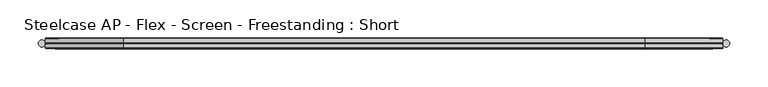
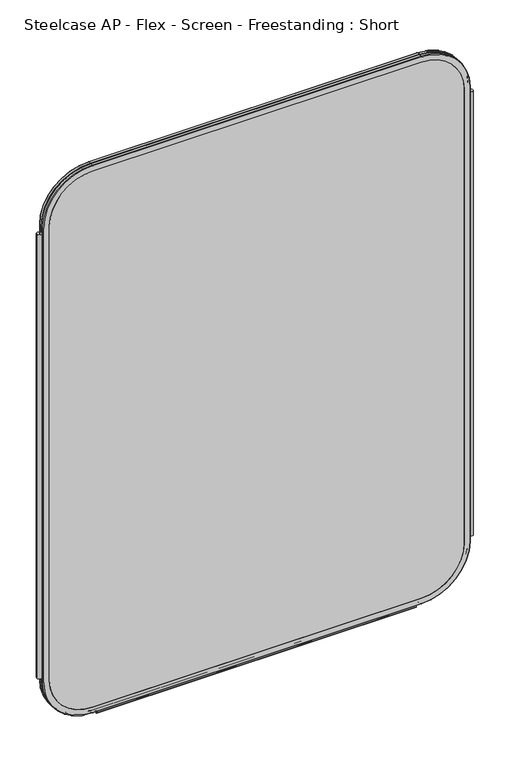
"""IFC4 building model written with IfcOpenShell, lengths in millimetres: furniture geometry, Steelcase AP - Flex - Screen - Freestanding : Short."""

from ifc_helpers import new_model, si_unit, point, frame, frame_2d, origin, place, context, project, spatial, polyline, circle_curve, ellipse_curve, trimmed, segment, composite_curve, outline, extrude, source, transform, mapped, element, save
from ifc_brep_helpers import plane_surface, cylinder_surface, revolved_surface, advanced_brep


def steelcase_ap_flex_screen_freestanding_short_716cc788(model_context):
    return source(origin(), model_context, "Body", "SolidModel", [
        extrude(outline(composite_curve([segment(trimmed(circle_curve(frame_2d((4.5307839, 0.0)), 4.572), [point((-0.0412161, 0.0))], [point((9.1027839, 0.0))], False, "CARTESIAN"), True, "CONTINUOUS"), segment(trimmed(circle_curve(frame_2d((4.5307839, 0.0)), 4.572), [point((9.1027839, 0.0))], [point((-0.0412161, 0.0))], False, "CARTESIAN"), True, "CONTINUOUS")], self_intersect=False)), frame((0.0, 0.0, 115.57), z_axis=(0.0, 0.0, 1.0), x_axis=(1.0, 0.0, 0.0)), (0.0, 0.0, 1.0), 968.86),
        extrude(outline(composite_curve([segment(trimmed(circle_curve(frame_2d((895.4692161, 0.0)), 4.572), [point((890.8972161, 0.0))], [point((900.0412161, 0.0))], False, "CARTESIAN"), True, "CONTINUOUS"), segment(trimmed(circle_curve(frame_2d((895.4692161, 0.0)), 4.572), [point((900.0412161, 0.0))], [point((890.8972161, 0.0))], False, "CARTESIAN"), True, "CONTINUOUS")], self_intersect=False)), frame((0.0, 0.0, 115.57), z_axis=(0.0, 0.0, 1.0), x_axis=(1.0, 0.0, 0.0)), (0.0, 0.0, 1.0), 968.86),
        extrude(outline(composite_curve([segment(trimmed(circle_curve(frame_2d((3.5, 2.4751953)), 2.5), [point((3.5, 4.9751953))], [point((1.4656663, 1.0220998))], False, "CARTESIAN"), True, "CONTINUOUS"), segment(trimmed(circle_curve(frame_2d((0.0, -0.0248047)), 1.8011626), [point((1.4656663, 1.0220998))], [point((-1.4656663, 1.0220998))], True, "CARTESIAN"), True, "CONTINUOUS"), segment(trimmed(circle_curve(frame_2d((-3.5, 2.4751953)), 2.5), [point((-1.4656663, 1.0220998))], [point((-3.5, 4.9751953))], False, "CARTESIAN"), True, "CONTINUOUS"), segment(trimmed(circle_curve(frame_2d((-3.5, 4.4751953)), 0.5), [point((-3.5, 4.9751953))], [point((-3.5, 3.9751953))], False, "CARTESIAN"), True, "CONTINUOUS"), segment(trimmed(circle_curve(frame_2d((-3.5, 2.4751953)), 1.5), [point((-3.5, 3.9751953))], [point((-2.3025096, 1.5718589))], True, "CARTESIAN"), True, "CONTINUOUS"), segment(trimmed(circle_curve(frame_2d((-10.3325937, 7.629417)), 10.0586411), [point((-2.3025096, 1.5718589))], [point((-0.714976, 4.6836248))], True, "CARTESIAN"), True, "CONTINUOUS"), segment(trimmed(circle_curve(frame_2d((0.0, 4.4646339)), 0.7477618), [point((-0.714976, 4.6836248))], [point((0.714976, 4.6836248))], False, "CARTESIAN"), True, "CONTINUOUS"), segment(trimmed(circle_curve(frame_2d((10.3325937, 7.629417)), 10.0586411), [point((0.714976, 4.6836248))], [point((2.3025096, 1.5718589))], True, "CARTESIAN"), True, "CONTINUOUS"), segment(trimmed(circle_curve(frame_2d((3.5, 2.4751953)), 1.5), [point((2.3025096, 1.5718589))], [point((3.5, 3.9751953))], True, "CARTESIAN"), True, "CONTINUOUS"), segment(trimmed(circle_curve(frame_2d((3.5, 4.4751953)), 0.5), [point((3.5, 3.9751953))], [point((3.5, 4.9751953))], False, "CARTESIAN"), True, "CONTINUOUS")], self_intersect=False)), frame((120.0, 0.0, 0.0), z_axis=(1.0, 0.0, 0.0), x_axis=(0.0, 1.0, 0.0)), (0.0, 0.0, 1.0), 660.0),
        advanced_brep(
        [(9.9273521, 0.0, 1098.4), (9.9273521, 0.0, 106.5996464), (110.7653521, 0.0, 5.7616464), (789.2594661, 0.0, 5.7616464), (890.0974661, 0.0, 106.5996464), (890.0974661, 0.0, 1098.4), (789.2594661, 0.0, 1199.238), (110.7653521, 0.0, 1199.238), (789.2594661, 0.0, 17.6996464), (110.7653521, 0.0, 17.6996464), (21.8653521, 0.0, 106.5996464), (21.8653521, 0.0, 1098.4), (110.7653521, 0.0, 1187.3), (789.2594661, 0.0, 1187.3), (878.1594661, 0.0, 1098.4), (878.1594661, 0.0, 106.5996464), (110.7653521, 0.762, 1200.0), (9.1653521, 0.762, 1098.4), (110.7653521, 6.096, 1200.0), (9.1653521, 6.096, 1098.4), (110.7653521, 6.858, 1199.238), (9.9273521, 6.858, 1098.4), (21.8653521, 6.858, 1098.4), (110.7653521, 6.858, 1187.3), (789.2594661, 0.762, 1200.0), (789.2594661, 6.096, 1200.0), (789.2594661, 6.858, 1199.238), (789.2594661, 6.858, 1187.3), (890.8594661, 0.762, 1098.4), (890.8594661, 6.096, 1098.4), (890.0974661, 6.858, 1098.4), (878.1594661, 6.858, 1098.4), (890.8594661, 0.762, 106.5996464), (890.8594661, 6.096, 106.5996464), (890.0974661, 6.858, 106.5996464), (878.1594661, 6.858, 106.5996464), (789.2594661, 0.762, 4.9996464), (789.2594661, 6.096, 4.9996464), (789.2594661, 6.858, 5.7616464), (789.2594661, 6.858, 17.6996464), (110.7653521, 0.762, 4.9996464), (110.7653521, 6.096, 4.9996464), (110.7653521, 6.858, 5.7616464), (110.7653521, 6.858, 17.6996464), (9.1653521, 0.762, 106.5996464), (9.1653521, 6.096, 106.5996464), (9.9273521, 6.858, 106.5996464), (21.8653521, 6.858, 106.5996464)],
        [
            (0, 1),
            (1, 2, circle_curve(frame((110.7653521, 0.0, 106.5996464), z_axis=(0.0, -1.0, 0.0), x_axis=(0.0, 0.0, -1.0)), 100.838)),
            (2, 3),
            (3, 4, circle_curve(frame((789.2594661, 0.0, 106.5996464), z_axis=(0.0, -1.0, 0.0), x_axis=(1.0, 0.0, 0.0)), 100.838)),
            (4, 5),
            (5, 6, circle_curve(frame((789.2594661, 0.0, 1098.4), z_axis=(0.0, -1.0, 0.0), x_axis=(0.0, 0.0, 1.0)), 100.838)),
            (6, 7),
            (7, 0, circle_curve(frame((110.7653521, 0.0, 1098.4), z_axis=(0.0, -1.0, 0.0), x_axis=(-1.0, 0.0, 0.0)), 100.838)),
            (8, 9),
            (9, 10, circle_curve(frame((110.7653521, 0.0, 106.5996464), z_axis=(0.0, 1.0, 0.0), x_axis=(0.0, 0.0, -1.0)), 88.9)),
            (10, 11),
            (11, 12, circle_curve(frame((110.7653521, 0.0, 1098.4), z_axis=(0.0, 1.0, 0.0), x_axis=(-1.0, 0.0, 0.0)), 88.9)),
            (12, 13),
            (13, 14, circle_curve(frame((789.2594661, 0.0, 1098.4), z_axis=(0.0, 1.0, 0.0), x_axis=(0.0, 0.0, 1.0)), 88.9)),
            (14, 15),
            (15, 8, circle_curve(frame((789.2594661, 0.0, 106.5996464), z_axis=(0.0, 1.0, 0.0), x_axis=(1.0, 0.0, 0.0)), 88.9)),
            (16, 17, circle_curve(frame((110.7653521, 0.762, 1098.4), z_axis=(0.0, -1.0, 0.0), x_axis=(-1.0, 0.0, 0.0)), 101.6)),
            (17, 0, circle_curve(frame((9.9273521, 0.762, 1098.4), z_axis=(0.0, 0.0, 1.0), x_axis=(-1.0, 0.0, 0.0)), 0.762)),
            (7, 16, circle_curve(frame((110.7653521, 0.762, 1199.238), z_axis=(-1.0, 0.0, 0.0), x_axis=(0.0, 0.0, 1.0)), 0.762)),
            (18, 19, circle_curve(frame((110.7653521, 6.096, 1098.4), z_axis=(0.0, -1.0, 0.0), x_axis=(-1.0, 0.0, 0.0)), 101.6)),
            (19, 17),
            (16, 18),
            (20, 21, circle_curve(frame((110.7653521, 6.858, 1098.4), z_axis=(0.0, -1.0, 0.0), x_axis=(-1.0, 0.0, 0.0)), 100.838)),
            (21, 19, circle_curve(frame((9.9273521, 6.096, 1098.4), z_axis=(0.0, 0.0, 1.0), x_axis=(-1.0, 0.0, 0.0)), 0.762)),
            (18, 20, circle_curve(frame((110.7653521, 6.096, 1199.238), z_axis=(-1.0, 0.0, 0.0), x_axis=(0.0, 0.0, 1.0)), 0.762)),
            (11, 22),
            (22, 23, circle_curve(frame((110.7653521, 6.858, 1098.4), z_axis=(0.0, 1.0, 0.0), x_axis=(-1.0, 0.0, 0.0)), 88.9)),
            (23, 12),
            (6, 24, circle_curve(frame((789.2594661, 0.762, 1199.238), z_axis=(-1.0, 0.0, 0.0), x_axis=(0.0, 0.0, 1.0)), 0.762)),
            (24, 16),
            (24, 25),
            (25, 18),
            (25, 26, circle_curve(frame((789.2594661, 6.096, 1199.238), z_axis=(-1.0, 0.0, 0.0), x_axis=(0.0, 0.0, 1.0)), 0.762)),
            (26, 20),
            (23, 27),
            (27, 13),
            (28, 24, circle_curve(frame((789.2594661, 0.762, 1098.4), z_axis=(0.0, -1.0, 0.0), x_axis=(0.0, 0.0, 1.0)), 101.6)),
            (5, 28, circle_curve(frame((890.0974661, 0.762, 1098.4), z_axis=(0.0, 0.0, 1.0), x_axis=(1.0, 0.0, 0.0)), 0.762)),
            (29, 25, circle_curve(frame((789.2594661, 6.096, 1098.4), z_axis=(0.0, -1.0, 0.0), x_axis=(0.0, 0.0, 1.0)), 101.6)),
            (28, 29),
            (30, 26, circle_curve(frame((789.2594661, 6.858, 1098.4), z_axis=(0.0, -1.0, 0.0), x_axis=(0.0, 0.0, 1.0)), 100.838)),
            (29, 30, circle_curve(frame((890.0974661, 6.096, 1098.4), z_axis=(0.0, 0.0, 1.0), x_axis=(1.0, 0.0, 0.0)), 0.762)),
            (27, 31, circle_curve(frame((789.2594661, 6.858, 1098.4), z_axis=(0.0, 1.0, 0.0), x_axis=(0.0, 0.0, 1.0)), 88.9)),
            (31, 14),
            (4, 32, circle_curve(frame((890.0974661, 0.762, 106.5996464), z_axis=(0.0, 0.0, 1.0), x_axis=(1.0, 0.0, 0.0)), 0.762)),
            (32, 28),
            (32, 33),
            (33, 29),
            (33, 34, circle_curve(frame((890.0974661, 6.096, 106.5996464), z_axis=(0.0, 0.0, 1.0), x_axis=(1.0, 0.0, 0.0)), 0.762)),
            (34, 30),
            (31, 35),
            (35, 15),
            (36, 32, circle_curve(frame((789.2594661, 0.762, 106.5996464), z_axis=(0.0, -1.0, 0.0), x_axis=(1.0, 0.0, 0.0)), 101.6)),
            (3, 36, circle_curve(frame((789.2594661, 0.762, 5.7616464), z_axis=(1.0, 0.0, 0.0), x_axis=(0.0, 0.0, -1.0)), 0.762)),
            (37, 33, circle_curve(frame((789.2594661, 6.096, 106.5996464), z_axis=(0.0, -1.0, 0.0), x_axis=(1.0, 0.0, 0.0)), 101.6)),
            (36, 37),
            (38, 34, circle_curve(frame((789.2594661, 6.858, 106.5996464), z_axis=(0.0, -1.0, 0.0), x_axis=(1.0, 0.0, 0.0)), 100.838)),
            (37, 38, circle_curve(frame((789.2594661, 6.096, 5.7616464), z_axis=(1.0, 0.0, 0.0), x_axis=(0.0, 0.0, -1.0)), 0.762)),
            (35, 39, circle_curve(frame((789.2594661, 6.858, 106.5996464), z_axis=(0.0, 1.0, 0.0), x_axis=(1.0, 0.0, 0.0)), 88.9)),
            (39, 8),
            (2, 40, circle_curve(frame((110.7653521, 0.762, 5.7616464), z_axis=(1.0, 0.0, 0.0), x_axis=(0.0, 0.0, -1.0)), 0.762)),
            (40, 36),
            (40, 41),
            (41, 37),
            (41, 42, circle_curve(frame((110.7653521, 6.096, 5.7616464), z_axis=(1.0, 0.0, 0.0), x_axis=(0.0, 0.0, -1.0)), 0.762)),
            (42, 38),
            (39, 43),
            (43, 9),
            (44, 40, circle_curve(frame((110.7653521, 0.762, 106.5996464), z_axis=(0.0, -1.0, 0.0), x_axis=(0.0, 0.0, -1.0)), 101.6)),
            (1, 44, circle_curve(frame((9.9273521, 0.762, 106.5996464), z_axis=(0.0, 0.0, -1.0), x_axis=(-1.0, 0.0, 0.0)), 0.762)),
            (45, 41, circle_curve(frame((110.7653521, 6.096, 106.5996464), z_axis=(0.0, -1.0, 0.0), x_axis=(0.0, 0.0, -1.0)), 101.6)),
            (44, 45),
            (46, 42, circle_curve(frame((110.7653521, 6.858, 106.5996464), z_axis=(0.0, -1.0, 0.0), x_axis=(0.0, 0.0, -1.0)), 100.838)),
            (45, 46, circle_curve(frame((9.9273521, 6.096, 106.5996464), z_axis=(0.0, 0.0, -1.0), x_axis=(-1.0, 0.0, 0.0)), 0.762)),
            (43, 47, circle_curve(frame((110.7653521, 6.858, 106.5996464), z_axis=(0.0, 1.0, 0.0), x_axis=(0.0, 0.0, -1.0)), 88.9)),
            (47, 10),
            (17, 44),
            (19, 45),
            (21, 46),
            (22, 47),
        ],
        [
            plane_surface(frame((21.8653521, 0.0, 106.5996464), z_axis=(0.0, -1.0, 0.0), x_axis=(0.0, 0.0, 1.0))),
            revolved_surface(trimmed(ellipse_curve(frame((9.9273521, 0.762, 1098.4), z_axis=(0.0, 0.0, -1.0), x_axis=(-1.0, 0.0, 0.0)), 0.762, 0.762), [point((9.9273521, 0.0, 1098.4))], [point((9.1653521, 0.762, 1098.4))], True, "CARTESIAN"), (110.7653521, 0.0, 1098.4), (0.0, 1.0, 0.0)),
            cylinder_surface(frame((110.7653521, 0.0, 1098.4), z_axis=(0.0, 1.0, 0.0), x_axis=(-1.0, 0.0, 0.0)), 101.6),
            revolved_surface(trimmed(ellipse_curve(frame((9.9273521, 6.096, 1098.4), z_axis=(0.0, 0.0, -1.0), x_axis=(-1.0, 0.0, 0.0)), 0.762, 0.762), [point((9.1653521, 6.096, 1098.4))], [point((9.9273521, 6.858, 1098.4))], True, "CARTESIAN"), (110.7653521, 0.0, 1098.4), (0.0, 1.0, 0.0)),
            revolved_surface(polyline([(21.865352099999996, 6.858, 1098.4), (21.865352099999996, 0.0, 1098.4)]), (110.7653521, 0.0, 1098.4), (0.0, 1.0, 0.0)),
            cylinder_surface(frame((110.7653521, 0.762, 1199.238), z_axis=(-1.0, 0.0, 0.0), x_axis=(0.0, 0.0, 1.0)), 0.762),
            plane_surface(frame((110.7653521, 0.762, 1200.0), z_axis=(0.0, 0.0, 1.0), x_axis=(1.0, 0.0, 0.0))),
            cylinder_surface(frame((110.7653521, 6.096, 1199.238), z_axis=(-1.0, 0.0, 0.0), x_axis=(0.0, 0.0, 1.0)), 0.762),
            plane_surface(frame((110.7653521, 6.858, 1187.3), z_axis=(0.0, 0.0, -1.0), x_axis=(1.0, 0.0, 0.0))),
            revolved_surface(trimmed(ellipse_curve(frame((789.2594661, 0.762, 1199.238), z_axis=(-1.0, 0.0, 0.0), x_axis=(0.0, 0.0, 1.0)), 0.762, 0.762), [point((789.2594661, 0.0, 1199.238))], [point((789.2594661, 0.762, 1200.0))], True, "CARTESIAN"), (789.2594661, 0.0, 1098.4), (0.0, 1.0, 0.0)),
            cylinder_surface(frame((789.2594661, 0.0, 1098.4), z_axis=(0.0, 1.0, 0.0), x_axis=(0.0, 0.0, 1.0)), 101.6),
            revolved_surface(trimmed(ellipse_curve(frame((789.2594661, 6.096, 1199.238), z_axis=(-1.0, 0.0, 0.0), x_axis=(0.0, 0.0, 1.0)), 0.762, 0.762), [point((789.2594661, 6.096, 1200.0))], [point((789.2594661, 6.858, 1199.238))], True, "CARTESIAN"), (789.2594661, 0.0, 1098.4), (0.0, 1.0, 0.0)),
            revolved_surface(polyline([(789.2594661, 6.858, 1187.3000000000002), (789.2594661, 0.0, 1187.3000000000002)]), (789.2594661, 0.0, 1098.4), (0.0, 1.0, 0.0)),
            cylinder_surface(frame((890.0974661, 0.762, 1098.4), z_axis=(0.0, 0.0, 1.0), x_axis=(1.0, 0.0, 0.0)), 0.762),
            plane_surface(frame((890.8594661, 0.762, 1098.4), z_axis=(1.0, 0.0, 0.0), x_axis=(0.0, 0.0, -1.0))),
            cylinder_surface(frame((890.0974661, 6.096, 1098.4), z_axis=(0.0, 0.0, 1.0), x_axis=(1.0, 0.0, 0.0)), 0.762),
            plane_surface(frame((878.1594661, 6.858, 1098.4), z_axis=(-1.0, 0.0, 0.0), x_axis=(0.0, 0.0, -1.0))),
            revolved_surface(trimmed(ellipse_curve(frame((890.0974661, 0.762, 106.5996464), z_axis=(0.0, 0.0, 1.0), x_axis=(1.0, 0.0, 0.0)), 0.762, 0.762), [point((890.0974661, 0.0, 106.5996464))], [point((890.8594661, 0.762, 106.5996464))], True, "CARTESIAN"), (789.2594661, 0.0, 106.5996464), (0.0, 1.0, 0.0)),
            cylinder_surface(frame((789.2594661, 0.0, 106.5996464), z_axis=(0.0, 1.0, 0.0), x_axis=(1.0, 0.0, 0.0)), 101.6),
            revolved_surface(trimmed(ellipse_curve(frame((890.0974661, 6.096, 106.5996464), z_axis=(0.0, 0.0, 1.0), x_axis=(1.0, 0.0, 0.0)), 0.762, 0.762), [point((890.8594661, 6.096, 106.5996464))], [point((890.0974661, 6.858, 106.5996464))], True, "CARTESIAN"), (789.2594661, 0.0, 106.5996464), (0.0, 1.0, 0.0)),
            revolved_surface(polyline([(878.1594661, 6.858, 106.5996464), (878.1594661, 0.0, 106.5996464)]), (789.2594661, 0.0, 106.5996464), (0.0, 1.0, 0.0)),
            cylinder_surface(frame((789.2594661, 0.762, 5.7616464), z_axis=(1.0, 0.0, 0.0), x_axis=(0.0, 0.0, -1.0)), 0.762),
            plane_surface(frame((789.2594661, 0.762, 4.9996464), z_axis=(0.0, 0.0, -1.0), x_axis=(-1.0, 0.0, 0.0))),
            cylinder_surface(frame((789.2594661, 6.096, 5.7616464), z_axis=(1.0, 0.0, 0.0), x_axis=(0.0, 0.0, -1.0)), 0.762),
            plane_surface(frame((789.2594661, 6.858, 17.6996464), z_axis=(0.0, 0.0, 1.0), x_axis=(-1.0, 0.0, 0.0))),
            revolved_surface(trimmed(ellipse_curve(frame((110.7653521, 0.762, 5.7616464), z_axis=(1.0, 0.0, 0.0), x_axis=(0.0, 0.0, -1.0)), 0.762, 0.762), [point((110.7653521, 0.0, 5.7616464))], [point((110.7653521, 0.762, 4.9996464))], True, "CARTESIAN"), (110.7653521, 0.0, 106.5996464), (0.0, 1.0, 0.0)),
            cylinder_surface(frame((110.7653521, 0.0, 106.5996464), z_axis=(0.0, 1.0, 0.0), x_axis=(0.0, 0.0, -1.0)), 101.6),
            revolved_surface(trimmed(ellipse_curve(frame((110.7653521, 6.096, 5.7616464), z_axis=(1.0, 0.0, 0.0), x_axis=(0.0, 0.0, -1.0)), 0.762, 0.762), [point((110.7653521, 6.096, 4.9996464))], [point((110.7653521, 6.858, 5.7616464))], True, "CARTESIAN"), (110.7653521, 0.0, 106.5996464), (0.0, 1.0, 0.0)),
            revolved_surface(polyline([(110.7653521, 6.858, 17.699646399999992), (110.7653521, 0.0, 17.699646399999992)]), (110.7653521, 0.0, 106.5996464), (0.0, 1.0, 0.0)),
            cylinder_surface(frame((9.9273521, 0.762, 106.5996464), z_axis=(0.0, 0.0, -1.0), x_axis=(-1.0, 0.0, 0.0)), 0.762),
            plane_surface(frame((9.1653521, 0.762, 106.5996464), z_axis=(-1.0, 0.0, 0.0), x_axis=(0.0, 0.0, 1.0))),
            cylinder_surface(frame((9.9273521, 6.096, 106.5996464), z_axis=(0.0, 0.0, -1.0), x_axis=(-1.0, 0.0, 0.0)), 0.762),
            plane_surface(frame((9.9273521, 6.858, 106.5996464), z_axis=(0.0, 1.0, 0.0), x_axis=(0.0, 0.0, 1.0))),
            plane_surface(frame((21.8653521, 6.858, 106.5996464), z_axis=(1.0, 0.0, 0.0), x_axis=(0.0, 0.0, 1.0))),
        ],
        [
            (0, [[1, 2, 3, 4, 5, 6, 7, 8], [9, 10, 11, 12, 13, 14, 15, 16]]),
            (1, [[17, 18, -8, 19]]),
            (2, [[20, 21, -17, 22]]),
            (3, [[23, 24, -20, 25]]),
            (4, [[-12, 26, 27, 28]]),
            (5, [[-19, -7, 29, 30]]),
            (6, [[-22, -30, 31, 32]]),
            (7, [[-25, -32, 33, 34]]),
            (8, [[-28, 35, 36, -13]]),
            (9, [[37, -29, -6, 38]]),
            (10, [[39, -31, -37, 40]]),
            (11, [[41, -33, -39, 42]]),
            (12, [[-14, -36, 43, 44]]),
            (13, [[-38, -5, 45, 46]]),
            (14, [[-40, -46, 47, 48]]),
            (15, [[-42, -48, 49, 50]]),
            (16, [[-44, 51, 52, -15]]),
            (17, [[53, -45, -4, 54]]),
            (18, [[55, -47, -53, 56]]),
            (19, [[57, -49, -55, 58]]),
            (20, [[-16, -52, 59, 60]]),
            (21, [[-54, -3, 61, 62]]),
            (22, [[-56, -62, 63, 64]]),
            (23, [[-58, -64, 65, 66]]),
            (24, [[-60, 67, 68, -9]]),
            (25, [[69, -61, -2, 70]]),
            (26, [[71, -63, -69, 72]]),
            (27, [[73, -65, -71, 74]]),
            (28, [[-10, -68, 75, 76]]),
            (29, [[-70, -1, -18, 77]]),
            (30, [[-72, -77, -21, 78]]),
            (31, [[-74, -78, -24, 79]]),
            (32, [[-66, -73, -79, -23, -34, -41, -50, -57], [80, -75, -67, -59, -51, -43, -35, -27]]),
            (33, [[-76, -80, -26, -11]]),
        ],
    ),
        extrude(outline(composite_curve([segment(polyline([(1187.3, 789.2594661), (1187.3, 110.7653521)]), True, "CONTINUOUS"), segment(trimmed(circle_curve(frame_2d((1098.4, 110.7653521)), 88.9), [point((1187.3, 110.7653521))], [point((1098.4, 21.8653521))], False, "CARTESIAN"), True, "CONTINUOUS"), segment(polyline([(1098.4, 21.8653521), (106.5996464, 21.8653521)]), True, "CONTINUOUS"), segment(trimmed(circle_curve(frame_2d((106.5996464, 110.7653521)), 88.9), [point((106.5996464, 21.8653521))], [point((17.6996464, 110.7653521))], False, "CARTESIAN"), True, "CONTINUOUS"), segment(polyline([(17.6996464, 110.7653521), (17.6996464, 789.2594661)]), True, "CONTINUOUS"), segment(trimmed(circle_curve(frame_2d((106.5996464, 789.2594661)), 88.9), [point((17.6996464, 789.2594661))], [point((106.5996464, 878.1594661))], False, "CARTESIAN"), True, "CONTINUOUS"), segment(polyline([(106.5996464, 878.1594661), (1098.4, 878.1594661)]), True, "CONTINUOUS"), segment(trimmed(circle_curve(frame_2d((1098.4, 789.2594661)), 88.9), [point((1098.4, 878.1594661))], [point((1187.3, 789.2594661))], False, "CARTESIAN"), True, "CONTINUOUS")], self_intersect=False)), frame((0.0, 0.0, 0.0), z_axis=(0.0, 1.0, 0.0), x_axis=(0.0, 0.0, 1.0)), (0.0, 0.0, 1.0), 6.858),
        advanced_brep(
        [(110.7653521, -6.858, 1187.3), (21.8653521, -6.858, 1098.4), (21.8653521, 0.0, 1098.4), (110.7653521, 0.0, 1187.3), (110.7653521, -6.096, 1200.0), (9.1653521, -6.096, 1098.4), (9.9273521, -6.858, 1098.4), (110.7653521, -6.858, 1199.238), (110.7653521, -0.762, 1200.0), (9.1653521, -0.762, 1098.4), (110.7653521, 0.0, 1199.238), (9.9273521, 0.0, 1098.4), (789.2594661, 0.0, 1187.3), (789.2594661, -6.858, 1187.3), (789.2594661, -6.858, 1199.238), (789.2594661, -6.096, 1200.0), (789.2594661, -0.762, 1200.0), (789.2594661, 0.0, 1199.238), (878.1594661, -6.858, 1098.4), (878.1594661, 0.0, 1098.4), (890.8594661, -6.096, 1098.4), (890.0974661, -6.858, 1098.4), (890.8594661, -0.762, 1098.4), (890.0974661, 0.0, 1098.4), (878.1594661, 0.0, 106.5996464), (878.1594661, -6.858, 106.5996464), (890.0974661, -6.858, 106.5996464), (890.8594661, -6.096, 106.5996464), (890.8594661, -0.762, 106.5996464), (890.0974661, 0.0, 106.5996464), (789.2594661, -6.858, 17.6996464), (789.2594661, 0.0, 17.6996464), (789.2594661, -6.096, 4.9996464), (789.2594661, -6.858, 5.7616464), (789.2594661, -0.762, 4.9996464), (789.2594661, 0.0, 5.7616464), (110.7653521, 0.0, 17.6996464), (110.7653521, -6.858, 17.6996464), (110.7653521, -6.858, 5.7616464), (110.7653521, -6.096, 4.9996464), (110.7653521, -0.762, 4.9996464), (110.7653521, 0.0, 5.7616464), (21.8653521, -6.858, 106.5996464), (21.8653521, 0.0, 106.5996464), (9.1653521, -6.096, 106.5996464), (9.9273521, -6.858, 106.5996464), (9.1653521, -0.762, 106.5996464), (9.9273521, 0.0, 106.5996464)],
        [
            (0, 1, circle_curve(frame((110.7653521, -6.858, 1098.4), z_axis=(0.0, -1.0, 0.0), x_axis=(-1.0, 0.0, 0.0)), 88.9)),
            (1, 2),
            (2, 3, circle_curve(frame((110.7653521, 0.0, 1098.4), z_axis=(0.0, 1.0, 0.0), x_axis=(-1.0, 0.0, 0.0)), 88.9)),
            (3, 0),
            (4, 5, circle_curve(frame((110.7653521, -6.096, 1098.4), z_axis=(0.0, -1.0, 0.0), x_axis=(-1.0, 0.0, 0.0)), 101.6)),
            (5, 6, circle_curve(frame((9.9273521, -6.096, 1098.4), z_axis=(0.0, 0.0, 1.0), x_axis=(-1.0, 0.0, 0.0)), 0.762)),
            (6, 7, circle_curve(frame((110.7653521, -6.858, 1098.4), z_axis=(0.0, 1.0, 0.0), x_axis=(-1.0, 0.0, 0.0)), 100.838)),
            (7, 4, circle_curve(frame((110.7653521, -6.096, 1199.238), z_axis=(-1.0, 0.0, 0.0), x_axis=(0.0, 0.0, 1.0)), 0.762)),
            (8, 9, circle_curve(frame((110.7653521, -0.762, 1098.4), z_axis=(0.0, -1.0, 0.0), x_axis=(-1.0, 0.0, 0.0)), 101.6)),
            (9, 5),
            (4, 8),
            (10, 11, circle_curve(frame((110.7653521, 0.0, 1098.4), z_axis=(0.0, -1.0, 0.0), x_axis=(-1.0, 0.0, 0.0)), 100.838)),
            (11, 9, circle_curve(frame((9.9273521, -0.762, 1098.4), z_axis=(0.0, 0.0, 1.0), x_axis=(-1.0, 0.0, 0.0)), 0.762)),
            (8, 10, circle_curve(frame((110.7653521, -0.762, 1199.238), z_axis=(-1.0, 0.0, 0.0), x_axis=(0.0, 0.0, 1.0)), 0.762)),
            (3, 12),
            (12, 13),
            (13, 0),
            (7, 14),
            (14, 15, circle_curve(frame((789.2594661, -6.096, 1199.238), z_axis=(-1.0, 0.0, 0.0), x_axis=(0.0, 0.0, 1.0)), 0.762)),
            (15, 4),
            (15, 16),
            (16, 8),
            (16, 17, circle_curve(frame((789.2594661, -0.762, 1199.238), z_axis=(-1.0, 0.0, 0.0), x_axis=(0.0, 0.0, 1.0)), 0.762)),
            (17, 10),
            (18, 13, circle_curve(frame((789.2594661, -6.858, 1098.4), z_axis=(0.0, -1.0, 0.0), x_axis=(0.0, 0.0, 1.0)), 88.9)),
            (12, 19, circle_curve(frame((789.2594661, 0.0, 1098.4), z_axis=(0.0, 1.0, 0.0), x_axis=(0.0, 0.0, 1.0)), 88.9)),
            (19, 18),
            (20, 15, circle_curve(frame((789.2594661, -6.096, 1098.4), z_axis=(0.0, -1.0, 0.0), x_axis=(0.0, 0.0, 1.0)), 101.6)),
            (14, 21, circle_curve(frame((789.2594661, -6.858, 1098.4), z_axis=(0.0, 1.0, 0.0), x_axis=(0.0, 0.0, 1.0)), 100.838)),
            (21, 20, circle_curve(frame((890.0974661, -6.096, 1098.4), z_axis=(0.0, 0.0, 1.0), x_axis=(1.0, 0.0, 0.0)), 0.762)),
            (22, 16, circle_curve(frame((789.2594661, -0.762, 1098.4), z_axis=(0.0, -1.0, 0.0), x_axis=(0.0, 0.0, 1.0)), 101.6)),
            (20, 22),
            (23, 17, circle_curve(frame((789.2594661, 0.0, 1098.4), z_axis=(0.0, -1.0, 0.0), x_axis=(0.0, 0.0, 1.0)), 100.838)),
            (22, 23, circle_curve(frame((890.0974661, -0.762, 1098.4), z_axis=(0.0, 0.0, 1.0), x_axis=(1.0, 0.0, 0.0)), 0.762)),
            (19, 24),
            (24, 25),
            (25, 18),
            (21, 26),
            (26, 27, circle_curve(frame((890.0974661, -6.096, 106.5996464), z_axis=(0.0, 0.0, 1.0), x_axis=(1.0, 0.0, 0.0)), 0.762)),
            (27, 20),
            (27, 28),
            (28, 22),
            (28, 29, circle_curve(frame((890.0974661, -0.762, 106.5996464), z_axis=(0.0, 0.0, 1.0), x_axis=(1.0, 0.0, 0.0)), 0.762)),
            (29, 23),
            (30, 25, circle_curve(frame((789.2594661, -6.858, 106.5996464), z_axis=(0.0, -1.0, 0.0), x_axis=(1.0, 0.0, 0.0)), 88.9)),
            (24, 31, circle_curve(frame((789.2594661, 0.0, 106.5996464), z_axis=(0.0, 1.0, 0.0), x_axis=(1.0, 0.0, 0.0)), 88.9)),
            (31, 30),
            (32, 27, circle_curve(frame((789.2594661, -6.096, 106.5996464), z_axis=(0.0, -1.0, 0.0), x_axis=(1.0, 0.0, 0.0)), 101.6)),
            (26, 33, circle_curve(frame((789.2594661, -6.858, 106.5996464), z_axis=(0.0, 1.0, 0.0), x_axis=(1.0, 0.0, 0.0)), 100.838)),
            (33, 32, circle_curve(frame((789.2594661, -6.096, 5.7616464), z_axis=(1.0, 0.0, 0.0), x_axis=(0.0, 0.0, -1.0)), 0.762)),
            (34, 28, circle_curve(frame((789.2594661, -0.762, 106.5996464), z_axis=(0.0, -1.0, 0.0), x_axis=(1.0, 0.0, 0.0)), 101.6)),
            (32, 34),
            (35, 29, circle_curve(frame((789.2594661, 0.0, 106.5996464), z_axis=(0.0, -1.0, 0.0), x_axis=(1.0, 0.0, 0.0)), 100.838)),
            (34, 35, circle_curve(frame((789.2594661, -0.762, 5.7616464), z_axis=(1.0, 0.0, 0.0), x_axis=(0.0, 0.0, -1.0)), 0.762)),
            (31, 36),
            (36, 37),
            (37, 30),
            (33, 38),
            (38, 39, circle_curve(frame((110.7653521, -6.096, 5.7616464), z_axis=(1.0, 0.0, 0.0), x_axis=(0.0, 0.0, -1.0)), 0.762)),
            (39, 32),
            (39, 40),
            (40, 34),
            (40, 41, circle_curve(frame((110.7653521, -0.762, 5.7616464), z_axis=(1.0, 0.0, 0.0), x_axis=(0.0, 0.0, -1.0)), 0.762)),
            (41, 35),
            (42, 37, circle_curve(frame((110.7653521, -6.858, 106.5996464), z_axis=(0.0, -1.0, 0.0), x_axis=(0.0, 0.0, -1.0)), 88.9)),
            (36, 43, circle_curve(frame((110.7653521, 0.0, 106.5996464), z_axis=(0.0, 1.0, 0.0), x_axis=(0.0, 0.0, -1.0)), 88.9)),
            (43, 42),
            (44, 39, circle_curve(frame((110.7653521, -6.096, 106.5996464), z_axis=(0.0, -1.0, 0.0), x_axis=(0.0, 0.0, -1.0)), 101.6)),
            (38, 45, circle_curve(frame((110.7653521, -6.858, 106.5996464), z_axis=(0.0, 1.0, 0.0), x_axis=(0.0, 0.0, -1.0)), 100.838)),
            (45, 44, circle_curve(frame((9.9273521, -6.096, 106.5996464), z_axis=(0.0, 0.0, -1.0), x_axis=(-1.0, 0.0, 0.0)), 0.762)),
            (46, 40, circle_curve(frame((110.7653521, -0.762, 106.5996464), z_axis=(0.0, -1.0, 0.0), x_axis=(0.0, 0.0, -1.0)), 101.6)),
            (44, 46),
            (47, 41, circle_curve(frame((110.7653521, 0.0, 106.5996464), z_axis=(0.0, -1.0, 0.0), x_axis=(0.0, 0.0, -1.0)), 100.838)),
            (46, 47, circle_curve(frame((9.9273521, -0.762, 106.5996464), z_axis=(0.0, 0.0, -1.0), x_axis=(-1.0, 0.0, 0.0)), 0.762)),
            (43, 2),
            (1, 42),
            (6, 45),
            (5, 44),
            (9, 46),
            (11, 47),
        ],
        [
            revolved_surface(polyline([(21.865352099999996, 0.0, 1098.4), (21.865352099999996, -6.858, 1098.4)]), (110.7653521, 0.0, 1098.4), (0.0, 1.0, 0.0)),
            revolved_surface(trimmed(ellipse_curve(frame((9.9273521, -6.096, 1098.4), z_axis=(0.0, 0.0, -1.0), x_axis=(-1.0, 0.0, 0.0)), 0.762, 0.762), [point((9.9273521, -6.858, 1098.4))], [point((9.1653521, -6.096, 1098.4))], True, "CARTESIAN"), (110.7653521, 0.0, 1098.4), (0.0, 1.0, 0.0)),
            cylinder_surface(frame((110.7653521, 0.0, 1098.4), z_axis=(0.0, 1.0, 0.0), x_axis=(-1.0, 0.0, 0.0)), 101.6),
            revolved_surface(trimmed(ellipse_curve(frame((9.9273521, -0.762, 1098.4), z_axis=(0.0, 0.0, -1.0), x_axis=(-1.0, 0.0, 0.0)), 0.762, 0.762), [point((9.1653521, -0.762, 1098.4))], [point((9.9273521, 0.0, 1098.4))], True, "CARTESIAN"), (110.7653521, 0.0, 1098.4), (0.0, 1.0, 0.0)),
            plane_surface(frame((110.7653521, 0.0, 1187.3), z_axis=(0.0, 0.0, -1.0), x_axis=(1.0, 0.0, 0.0))),
            cylinder_surface(frame((110.7653521, -6.096, 1199.238), z_axis=(-1.0, 0.0, 0.0), x_axis=(0.0, 0.0, 1.0)), 0.762),
            plane_surface(frame((110.7653521, -6.096, 1200.0), z_axis=(0.0, 0.0, 1.0), x_axis=(1.0, 0.0, 0.0))),
            cylinder_surface(frame((110.7653521, -0.762, 1199.238), z_axis=(-1.0, 0.0, 0.0), x_axis=(0.0, 0.0, 1.0)), 0.762),
            revolved_surface(polyline([(789.2594661, 0.0, 1187.3000000000002), (789.2594661, -6.858, 1187.3000000000002)]), (789.2594661, 0.0, 1098.4), (0.0, 1.0, 0.0)),
            revolved_surface(trimmed(ellipse_curve(frame((789.2594661, -6.096, 1199.238), z_axis=(-1.0, 0.0, 0.0), x_axis=(0.0, 0.0, 1.0)), 0.762, 0.762), [point((789.2594661, -6.858, 1199.238))], [point((789.2594661, -6.096, 1200.0))], True, "CARTESIAN"), (789.2594661, 0.0, 1098.4), (0.0, 1.0, 0.0)),
            cylinder_surface(frame((789.2594661, 0.0, 1098.4), z_axis=(0.0, 1.0, 0.0), x_axis=(0.0, 0.0, 1.0)), 101.6),
            revolved_surface(trimmed(ellipse_curve(frame((789.2594661, -0.762, 1199.238), z_axis=(-1.0, 0.0, 0.0), x_axis=(0.0, 0.0, 1.0)), 0.762, 0.762), [point((789.2594661, -0.762, 1200.0))], [point((789.2594661, 0.0, 1199.238))], True, "CARTESIAN"), (789.2594661, 0.0, 1098.4), (0.0, 1.0, 0.0)),
            plane_surface(frame((878.1594661, 0.0, 1098.4), z_axis=(-1.0, 0.0, 0.0), x_axis=(0.0, 0.0, -1.0))),
            cylinder_surface(frame((890.0974661, -6.096, 1098.4), z_axis=(0.0, 0.0, 1.0), x_axis=(1.0, 0.0, 0.0)), 0.762),
            plane_surface(frame((890.8594661, -6.096, 1098.4), z_axis=(1.0, 0.0, 0.0), x_axis=(0.0, 0.0, -1.0))),
            cylinder_surface(frame((890.0974661, -0.762, 1098.4), z_axis=(0.0, 0.0, 1.0), x_axis=(1.0, 0.0, 0.0)), 0.762),
            revolved_surface(polyline([(878.1594661, 0.0, 106.5996464), (878.1594661, -6.858, 106.5996464)]), (789.2594661, 0.0, 106.5996464), (0.0, 1.0, 0.0)),
            revolved_surface(trimmed(ellipse_curve(frame((890.0974661, -6.096, 106.5996464), z_axis=(0.0, 0.0, 1.0), x_axis=(1.0, 0.0, 0.0)), 0.762, 0.762), [point((890.0974661, -6.858, 106.5996464))], [point((890.8594661, -6.096, 106.5996464))], True, "CARTESIAN"), (789.2594661, 0.0, 106.5996464), (0.0, 1.0, 0.0)),
            cylinder_surface(frame((789.2594661, 0.0, 106.5996464), z_axis=(0.0, 1.0, 0.0), x_axis=(1.0, 0.0, 0.0)), 101.6),
            revolved_surface(trimmed(ellipse_curve(frame((890.0974661, -0.762, 106.5996464), z_axis=(0.0, 0.0, 1.0), x_axis=(1.0, 0.0, 0.0)), 0.762, 0.762), [point((890.8594661, -0.762, 106.5996464))], [point((890.0974661, 0.0, 106.5996464))], True, "CARTESIAN"), (789.2594661, 0.0, 106.5996464), (0.0, 1.0, 0.0)),
            plane_surface(frame((789.2594661, 0.0, 17.6996464), z_axis=(0.0, 0.0, 1.0), x_axis=(-1.0, 0.0, 0.0))),
            cylinder_surface(frame((789.2594661, -6.096, 5.7616464), z_axis=(1.0, 0.0, 0.0), x_axis=(0.0, 0.0, -1.0)), 0.762),
            plane_surface(frame((789.2594661, -6.096, 4.9996464), z_axis=(0.0, 0.0, -1.0), x_axis=(-1.0, 0.0, 0.0))),
            cylinder_surface(frame((789.2594661, -0.762, 5.7616464), z_axis=(1.0, 0.0, 0.0), x_axis=(0.0, 0.0, -1.0)), 0.762),
            revolved_surface(polyline([(110.7653521, 0.0, 17.699646399999992), (110.7653521, -6.858, 17.699646399999992)]), (110.7653521, 0.0, 106.5996464), (0.0, 1.0, 0.0)),
            revolved_surface(trimmed(ellipse_curve(frame((110.7653521, -6.096, 5.7616464), z_axis=(1.0, 0.0, 0.0), x_axis=(0.0, 0.0, -1.0)), 0.762, 0.762), [point((110.7653521, -6.858, 5.7616464))], [point((110.7653521, -6.096, 4.9996464))], True, "CARTESIAN"), (110.7653521, 0.0, 106.5996464), (0.0, 1.0, 0.0)),
            cylinder_surface(frame((110.7653521, 0.0, 106.5996464), z_axis=(0.0, 1.0, 0.0), x_axis=(0.0, 0.0, -1.0)), 101.6),
            revolved_surface(trimmed(ellipse_curve(frame((110.7653521, -0.762, 5.7616464), z_axis=(1.0, 0.0, 0.0), x_axis=(0.0, 0.0, -1.0)), 0.762, 0.762), [point((110.7653521, -0.762, 4.9996464))], [point((110.7653521, 0.0, 5.7616464))], True, "CARTESIAN"), (110.7653521, 0.0, 106.5996464), (0.0, 1.0, 0.0)),
            plane_surface(frame((21.8653521, 0.0, 106.5996464), z_axis=(1.0, 0.0, 0.0), x_axis=(0.0, 0.0, 1.0))),
            plane_surface(frame((21.8653521, -6.858, 106.5996464), z_axis=(0.0, -1.0, 0.0), x_axis=(0.0, 0.0, 1.0))),
            cylinder_surface(frame((9.9273521, -6.096, 106.5996464), z_axis=(0.0, 0.0, -1.0), x_axis=(-1.0, 0.0, 0.0)), 0.762),
            plane_surface(frame((9.1653521, -6.096, 106.5996464), z_axis=(-1.0, 0.0, 0.0), x_axis=(0.0, 0.0, 1.0))),
            cylinder_surface(frame((9.9273521, -0.762, 106.5996464), z_axis=(0.0, 0.0, -1.0), x_axis=(-1.0, 0.0, 0.0)), 0.762),
            plane_surface(frame((9.9273521, 0.0, 106.5996464), z_axis=(0.0, 1.0, 0.0), x_axis=(0.0, 0.0, 1.0))),
        ],
        [
            (0, [[1, 2, 3, 4]]),
            (1, [[5, 6, 7, 8]]),
            (2, [[9, 10, -5, 11]]),
            (3, [[12, 13, -9, 14]]),
            (4, [[-4, 15, 16, 17]]),
            (5, [[-8, 18, 19, 20]]),
            (6, [[-11, -20, 21, 22]]),
            (7, [[-14, -22, 23, 24]]),
            (8, [[25, -16, 26, 27]]),
            (9, [[28, -19, 29, 30]]),
            (10, [[31, -21, -28, 32]]),
            (11, [[33, -23, -31, 34]]),
            (12, [[-27, 35, 36, 37]]),
            (13, [[-30, 38, 39, 40]]),
            (14, [[-32, -40, 41, 42]]),
            (15, [[-34, -42, 43, 44]]),
            (16, [[45, -36, 46, 47]]),
            (17, [[48, -39, 49, 50]]),
            (18, [[51, -41, -48, 52]]),
            (19, [[53, -43, -51, 54]]),
            (20, [[-47, 55, 56, 57]]),
            (21, [[-50, 58, 59, 60]]),
            (22, [[-52, -60, 61, 62]]),
            (23, [[-54, -62, 63, 64]]),
            (24, [[65, -56, 66, 67]]),
            (25, [[68, -59, 69, 70]]),
            (26, [[71, -61, -68, 72]]),
            (27, [[73, -63, -71, 74]]),
            (28, [[-67, 75, -2, 76]]),
            (29, [[77, -69, -58, -49, -38, -29, -18, -7], [-57, -65, -76, -1, -17, -25, -37, -45]]),
            (30, [[-70, -77, -6, 78]]),
            (31, [[-72, -78, -10, 79]]),
            (32, [[-74, -79, -13, 80]]),
            (33, [[-64, -73, -80, -12, -24, -33, -44, -53], [-75, -66, -55, -46, -35, -26, -15, -3]]),
        ],
    ),
        extrude(outline(composite_curve([segment(polyline([(1187.3, 789.2594661), (1187.3, 110.7653521)]), True, "CONTINUOUS"), segment(trimmed(circle_curve(frame_2d((1098.4, 110.7653521)), 88.9), [point((1187.3, 110.7653521))], [point((1098.4, 21.8653521))], False, "CARTESIAN"), True, "CONTINUOUS"), segment(polyline([(1098.4, 21.8653521), (106.5996464, 21.8653521)]), True, "CONTINUOUS"), segment(trimmed(circle_curve(frame_2d((106.5996464, 110.7653521)), 88.9), [point((106.5996464, 21.8653521))], [point((17.6996464, 110.7653521))], False, "CARTESIAN"), True, "CONTINUOUS"), segment(polyline([(17.6996464, 110.7653521), (17.6996464, 789.2594661)]), True, "CONTINUOUS"), segment(trimmed(circle_curve(frame_2d((106.5996464, 789.2594661)), 88.9), [point((17.6996464, 789.2594661))], [point((106.5996464, 878.1594661))], False, "CARTESIAN"), True, "CONTINUOUS"), segment(polyline([(106.5996464, 878.1594661), (1098.4, 878.1594661)]), True, "CONTINUOUS"), segment(trimmed(circle_curve(frame_2d((1098.4, 789.2594661)), 88.9), [point((1098.4, 878.1594661))], [point((1187.3, 789.2594661))], False, "CARTESIAN"), True, "CONTINUOUS")], self_intersect=False)), frame((0.0, -6.858, 0.0), z_axis=(0.0, 1.0, 0.0), x_axis=(0.0, 0.0, 1.0)), (0.0, 0.0, 1.0), 6.858),
    ])


if __name__ == "__main__":
    model = new_model("IFC4")
    model_context = context("Model", 3, world=origin())
    ifc_project = project(units=[si_unit("LENGTHUNIT", "METRE", prefix="MILLI")], contexts=[model_context])
    site = spatial("IfcSite", under=ifc_project)
    building = spatial("IfcBuilding", under=site)
    placement = place(None, origin())
    steelcase_ap_flex_screen_freestanding_short_shape = steelcase_ap_flex_screen_freestanding_short_716cc788(model_context)
    element("IfcFurniture", 1, ObjectType="Steelcase AP - Flex - Screen - Freestanding : Short", at=placement, inside=building, context=model_context, shape_type="MappedRepresentation", body=[
        mapped(steelcase_ap_flex_screen_freestanding_short_shape, transform((0.0, 0.0, 0.0), x_axis=(1.0, 0.0, 0.0), y_axis=(0.0, 1.0, 0.0), z_axis=(0.0, 0.0, 1.0))),
    ])
    save(model, "model.ifc")
